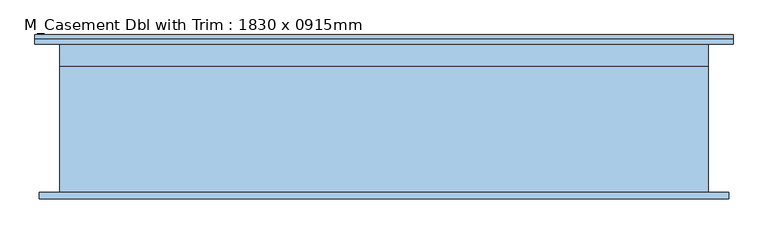
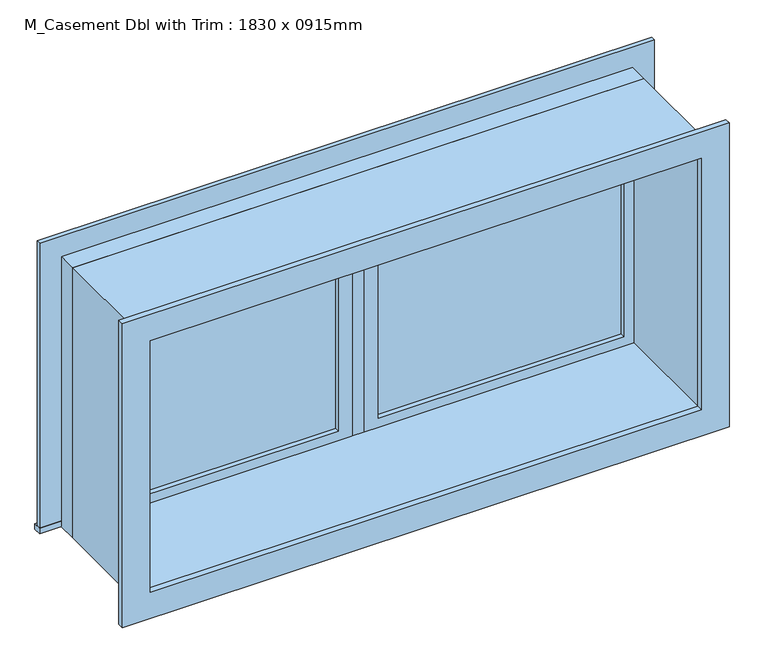
"""IFC4 building model written with IfcOpenShell, lengths in millimetres: window geometry, M_Casement Dbl with Trim : 1830 x 0915mm."""

from ifc_helpers import new_model, si_unit, frame, origin, place, context, project, spatial, polyline, outline, extrude, source, transform, mapped, element, save


def m_casement_dbl_with_trim_1830_x_0915mm_99920121(model_context):
    return source(origin(), model_context, "Body", "SweptSolid", [
        extrude(outline(polyline([(63.5, 193.675), (851.5, 193.675), (851.5, 180.975), (63.5, 180.975), (63.5, 193.675)])), frame((0.0, 0.0, 1283.5), z_axis=(0.0, 0.0, 1.0), x_axis=(1.0, 0.0, 0.0)), (0.0, 0.0, 1.0), 788.0),
        extrude(outline(polyline([(2115.95, 19.05), (1239.05, 19.05), (1239.05, 895.95), (2115.95, 895.95), (2115.95, 19.05)]), holes=[polyline([(2071.5, 63.5), (2071.5, 851.5), (1283.5, 851.5), (1283.5, 63.5), (2071.5, 63.5)])]), frame((0.0, 165.1, 0.0), z_axis=(0.0, 1.0, 0.0), x_axis=(0.0, 0.0, 1.0)), (0.0, 0.0, 1.0), 44.45),
        extrude(outline(polyline([(-984.95, 254.25), (984.95, 254.25), (984.95, 228.55), (-984.95, 228.55), (-984.95, 254.25)])), frame((0.0, 0.0, 1220.0), z_axis=(0.0, 0.0, 1.0), x_axis=(1.0, 0.0, 0.0)), (0.0, 0.0, 1.0), 19.05),
        extrude(outline(polyline([(2115.95, -895.95), (2115.95, 895.95), (1239.05, 895.95), (1239.05, 984.95), (2204.95, 984.95), (2204.95, -984.95), (1239.05, -984.95), (1239.05, -895.95), (2115.95, -895.95)])), frame((0.0, 228.55, 0.0), z_axis=(0.0, 1.0, 0.0), x_axis=(0.0, 0.0, 1.0)), (0.0, 0.0, 1.0), 13.0),
        extrude(outline(polyline([(2192.25, 972.25), (2192.25, -972.25), (1162.75, -972.25), (1162.75, 972.25), (2192.25, 972.25)]), holes=[polyline([(2103.25, 883.25), (1251.75, 883.25), (1251.75, -883.25), (2103.25, -883.25), (2103.25, 883.25)])]), frame((0.0, -209.45, 0.0), z_axis=(0.0, 1.0, 0.0), x_axis=(0.0, 0.0, 1.0)), (0.0, 0.0, 1.0), 19.0),
        extrude(outline(polyline([(-63.5, 180.975), (-851.5, 180.975), (-851.5, 193.675), (-63.5, 193.675), (-63.5, 180.975)])), frame((0.0, 0.0, 1283.5), z_axis=(0.0, 0.0, 1.0), x_axis=(1.0, 0.0, 0.0)), (0.0, 0.0, 1.0), 788.0),
        extrude(outline(polyline([(2115.95, -895.95), (1239.05, -895.95), (1239.05, -19.05), (2115.95, -19.05), (2115.95, -895.95)]), holes=[polyline([(2071.5, -851.5), (2071.5, -63.5), (1283.5, -63.5), (1283.5, -851.5), (2071.5, -851.5)])]), frame((0.0, 165.1, 0.0), z_axis=(0.0, 1.0, 0.0), x_axis=(0.0, 0.0, 1.0)), (0.0, 0.0, 1.0), 44.45),
        extrude(outline(polyline([(2135.0, -915.0), (1220.0, -915.0), (1220.0, 915.0), (2135.0, 915.0), (2135.0, -915.0)]), holes=[polyline([(2103.25, -883.25), (2103.25, 883.25), (1251.75, 883.25), (1251.75, -883.25), (2103.25, -883.25)])]), frame((0.0, -190.45, 0.0), z_axis=(0.0, 1.0, 0.0), x_axis=(0.0, 0.0, 1.0)), (0.0, 0.0, 1.0), 355.55),
        extrude(outline(polyline([(2135.0, 915.0), (2135.0, -915.0), (1220.0, -915.0), (1220.0, 915.0), (2135.0, 915.0)]), holes=[polyline([(2115.95, 895.95), (1239.05, 895.95), (1239.05, -895.95), (2115.95, -895.95), (2115.95, 895.95)])]), frame((0.0, 165.1, 0.0), z_axis=(0.0, 1.0, 0.0), x_axis=(0.0, 0.0, 1.0)), (0.0, 0.0, 1.0), 63.45),
        extrude(outline(polyline([(19.05, 165.1), (-19.05, 165.1), (-19.05, 228.6), (19.05, 228.6), (19.05, 165.1)])), frame((0.0, 0.0, 1239.05), z_axis=(0.0, 0.0, 1.0), x_axis=(1.0, 0.0, 0.0)), (0.0, 0.0, 1.0), 876.9),
    ])


if __name__ == "__main__":
    model = new_model("IFC4")
    model_context = context("Model", 3, world=origin())
    ifc_project = project(units=[si_unit("LENGTHUNIT", "METRE", prefix="MILLI")], contexts=[model_context])
    site = spatial("IfcSite", under=ifc_project)
    building = spatial("IfcBuilding", under=site)
    placement = place(None, origin())
    m_casement_dbl_with_trim_1830_x_0915mm_shape = m_casement_dbl_with_trim_1830_x_0915mm_99920121(model_context)
    element("IfcWindow", 1, ObjectType="M_Casement Dbl with Trim : 1830 x 0915mm", at=placement, inside=building, context=model_context, shape_type="MappedRepresentation", body=[
        mapped(m_casement_dbl_with_trim_1830_x_0915mm_shape, transform((0.0, 0.0, 0.0), x_axis=(1.0, 0.0, 0.0), y_axis=(0.0, 1.0, 0.0), z_axis=(0.0, 0.0, 1.0))),
    ])
    save(model, "model.ifc")
